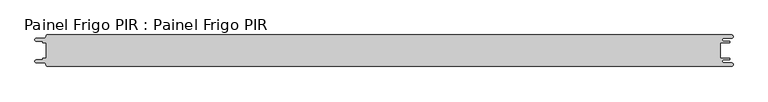
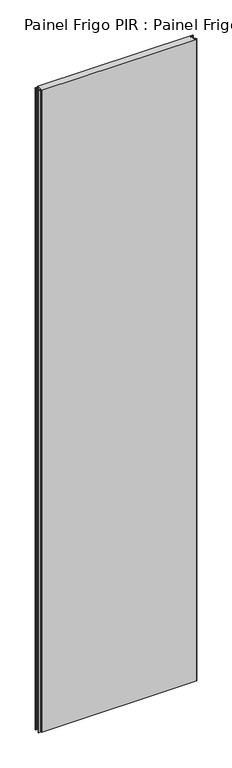
"""IFC4 building model written with IfcOpenShell, lengths in millimetres: proxy geometry, Painel Frigo PIR : Painel Frigo PIR."""

from ifc_helpers import new_model, si_unit, frame, origin, place, context, project, spatial, polyline, circle_curve, source, transform, mapped, element, save
from ifc_brep_helpers import plane_surface, cylinder_surface, revolved_surface, advanced_brep


def painel_frigo_pir_painel_frigo_pir_87e6ddfe(model_context):
    return source(origin(), model_context, "Body", "AdvancedBrep", [
        advanced_brep(
        [(-554.5874998, -12.3, 4800.0), (-555.1874998, -12.9, 4800.0), (-555.1874998, -13.7085184, 4800.0), (-556.5875001, -15.1085187, 4800.0), (-565.565625, -15.1085187, 4800.0), (-565.565625, -19.5085185, 4800.0), (-553.55, -19.5085185, 4800.0), (-550.0, -23.0585185, 4800.0), (-548.05, -25.0, 4800.0), (546.89375, -25.0, 4800.0), (546.89375, -19.725, 4800.0), (534.45625, -19.725, 4800.0), (534.45625, -14.875, 4800.0), (543.1187503, -14.875, 4800.0), (543.1187503, -12.3, 4800.0), (529.2687503, -12.3, 4800.0), (529.2687503, 12.3, 4800.0), (543.1187503, 12.3, 4800.0), (543.1187503, 14.875, 4800.0), (534.45625, 14.875, 4800.0), (534.45625, 19.725, 4800.0), (546.89375, 19.725, 4800.0), (546.89375, 25.0, 4800.0), (-548.05, 25.0, 4800.0), (-550.0, 23.05, 4800.0), (-553.55, 19.5085185, 4800.0), (-565.565625, 19.5085185, 4800.0), (-565.565625, 15.1085185, 4800.0), (-556.5875003, 15.1085185, 4800.0), (-555.1875003, 13.7085185, 4800.0), (-555.1875003, 12.9, 4800.0), (-554.5874998, 12.2999995, 4800.0), (-549.2999612, 12.2999995, 4800.0), (-549.2999612, -12.3, 4800.0), (-554.5874998, -12.3, 0.0), (-549.2999612, -12.3, 0.0), (-549.2999612, 12.2999995, 0.0), (-554.5874998, 12.2999995, 0.0), (-555.1875003, 12.9, 0.0), (-555.1875003, 13.7085185, 0.0), (-556.5875003, 15.1085185, 0.0), (-565.565625, 15.1085185, 0.0), (-565.565625, 19.5085185, 0.0), (-553.55, 19.5085185, 0.0), (-550.0, 23.0585185, 0.0), (-548.05, 25.0, 0.0), (546.89375, 25.0, 0.0), (546.89375, 19.725, 0.0), (534.45625, 19.725, 0.0), (534.45625, 14.875, 0.0), (543.1187503, 14.875, 0.0), (543.1187503, 12.3, 0.0), (529.2687503, 12.3, 0.0), (529.2687503, -12.3, 0.0), (543.1187503, -12.3, 0.0), (543.1187503, -14.875, 0.0), (534.45625, -14.875, 0.0), (534.45625, -19.725, 0.0), (546.89375, -19.725, 0.0), (546.89375, -25.0, 0.0), (-548.05, -25.0, 0.0), (-550.0, -23.05, 0.0), (-553.55, -19.5085185, 0.0), (-565.565625, -19.5085185, 0.0), (-565.565625, -15.1085187, 0.0), (-556.5875001, -15.1085187, 0.0), (-555.1874998, -13.7085184, 0.0), (-555.1874998, -12.9, 0.0)],
        [
            (0, 1, circle_curve(frame((-554.5874998, -12.9, 4800.0), z_axis=(0.0, 0.0, 1.0), x_axis=(1.0, 0.0, 0.0)), 0.6)),
            (1, 2),
            (2, 3, circle_curve(frame((-556.5875001, -13.7085184, 4800.0), z_axis=(0.0, 0.0, -1.0), x_axis=(1.0, 0.0, 0.0)), 1.4000003)),
            (3, 4),
            (4, 5, circle_curve(frame((-565.565625, -17.3085186, 4800.0), z_axis=(0.0, 0.0, 1.0), x_axis=(1.0, 0.0, 0.0)), 2.1999999)),
            (5, 6),
            (6, 7, circle_curve(frame((-553.55, -23.0585185, 4800.0), z_axis=(0.0, 0.0, -1.0), x_axis=(1.0, 0.0, 0.0)), 3.55)),
            (7, 8, circle_curve(frame((-548.05, -23.05, 4800.0), z_axis=(0.0, 0.0, 1.0), x_axis=(1.0, 0.0, 0.0)), 1.95)),
            (8, 9),
            (9, 10, circle_curve(frame((546.89375, -22.3625, 4800.0), z_axis=(0.0, 0.0, 1.0), x_axis=(1.0, 0.0, 0.0)), 2.6375)),
            (10, 11),
            (11, 12, circle_curve(frame((534.45625, -17.3, 4800.0), z_axis=(0.0, 0.0, -1.0), x_axis=(1.0, 0.0, 0.0)), 2.425)),
            (12, 13),
            (13, 14, circle_curve(frame((543.1187503, -13.5875, 4800.0), z_axis=(0.0, 0.0, 1.0), x_axis=(1.0, 0.0, 0.0)), 1.2875)),
            (14, 15),
            (15, 16),
            (16, 17),
            (17, 18, circle_curve(frame((543.1187503, 13.5875, 4800.0), z_axis=(0.0, 0.0, 1.0), x_axis=(1.0, 0.0, 0.0)), 1.2875)),
            (18, 19),
            (19, 20, circle_curve(frame((534.45625, 17.3, 4800.0), z_axis=(0.0, 0.0, -1.0), x_axis=(1.0, 0.0, 0.0)), 2.425)),
            (20, 21),
            (21, 22, circle_curve(frame((546.89375, 22.3625, 4800.0), z_axis=(0.0, 0.0, 1.0), x_axis=(1.0, 0.0, 0.0)), 2.6375)),
            (22, 23),
            (23, 24, circle_curve(frame((-548.05, 23.05, 4800.0), z_axis=(0.0, 0.0, 1.0), x_axis=(1.0, 0.0, 0.0)), 1.95)),
            (24, 25, circle_curve(frame((-553.55, 23.0585185, 4800.0), z_axis=(0.0, 0.0, -1.0), x_axis=(1.0, 0.0, 0.0)), 3.55)),
            (25, 26),
            (26, 27, circle_curve(frame((-565.565625, 17.3085185, 4800.0), z_axis=(0.0, 0.0, 1.0), x_axis=(1.0, 0.0, 0.0)), 2.2)),
            (27, 28),
            (28, 29, circle_curve(frame((-556.5875003, 13.7085185, 4800.0), z_axis=(0.0, 0.0, -1.0), x_axis=(1.0, 0.0, 0.0)), 1.4)),
            (29, 30),
            (30, 31, circle_curve(frame((-554.5874998, 12.9, 4800.0), z_axis=(0.0, 0.0, 1.0), x_axis=(1.0, 0.0, 0.0)), 0.6000005)),
            (31, 32),
            (32, 33),
            (33, 0),
            (34, 35),
            (35, 36),
            (36, 37),
            (37, 38, circle_curve(frame((-554.5874998, 12.9, 0.0), z_axis=(0.0, 0.0, -1.0), x_axis=(1.0, 0.0, 0.0)), 0.6000005)),
            (38, 39),
            (39, 40, circle_curve(frame((-556.5875003, 13.7085185, 0.0), z_axis=(0.0, 0.0, 1.0), x_axis=(1.0, 0.0, 0.0)), 1.4)),
            (40, 41),
            (41, 42, circle_curve(frame((-565.565625, 17.3085185, 0.0), z_axis=(0.0, 0.0, -1.0), x_axis=(1.0, 0.0, 0.0)), 2.2)),
            (42, 43),
            (43, 44, circle_curve(frame((-553.55, 23.0585185, 0.0), z_axis=(0.0, 0.0, 1.0), x_axis=(1.0, 0.0, 0.0)), 3.55)),
            (44, 45, circle_curve(frame((-548.05, 23.05, 0.0), z_axis=(0.0, 0.0, -1.0), x_axis=(1.0, 0.0, 0.0)), 1.95)),
            (45, 46),
            (46, 47, circle_curve(frame((546.89375, 22.3625, 0.0), z_axis=(0.0, 0.0, -1.0), x_axis=(1.0, 0.0, 0.0)), 2.6375)),
            (47, 48),
            (48, 49, circle_curve(frame((534.45625, 17.3, 0.0), z_axis=(0.0, 0.0, 1.0), x_axis=(1.0, 0.0, 0.0)), 2.425)),
            (49, 50),
            (50, 51, circle_curve(frame((543.1187503, 13.5875, 0.0), z_axis=(0.0, 0.0, -1.0), x_axis=(1.0, 0.0, 0.0)), 1.2875)),
            (51, 52),
            (52, 53),
            (53, 54),
            (54, 55, circle_curve(frame((543.1187503, -13.5875, 0.0), z_axis=(0.0, 0.0, -1.0), x_axis=(1.0, 0.0, 0.0)), 1.2875)),
            (55, 56),
            (56, 57, circle_curve(frame((534.45625, -17.3, 0.0), z_axis=(0.0, 0.0, 1.0), x_axis=(1.0, 0.0, 0.0)), 2.425)),
            (57, 58),
            (58, 59, circle_curve(frame((546.89375, -22.3625, 0.0), z_axis=(0.0, 0.0, -1.0), x_axis=(1.0, 0.0, 0.0)), 2.6375)),
            (59, 60),
            (60, 61, circle_curve(frame((-548.05, -23.05, 0.0), z_axis=(0.0, 0.0, -1.0), x_axis=(1.0, 0.0, 0.0)), 1.95)),
            (61, 62, circle_curve(frame((-553.55, -23.0585185, 0.0), z_axis=(0.0, 0.0, 1.0), x_axis=(1.0, 0.0, 0.0)), 3.55)),
            (62, 63),
            (63, 64, circle_curve(frame((-565.565625, -17.3085186, 0.0), z_axis=(0.0, 0.0, -1.0), x_axis=(1.0, 0.0, 0.0)), 2.1999999)),
            (64, 65),
            (65, 66, circle_curve(frame((-556.5875001, -13.7085184, 0.0), z_axis=(0.0, 0.0, 1.0), x_axis=(1.0, 0.0, 0.0)), 1.4000003)),
            (66, 67),
            (67, 34, circle_curve(frame((-554.5874998, -12.9, 0.0), z_axis=(0.0, 0.0, -1.0), x_axis=(1.0, 0.0, 0.0)), 0.6)),
            (33, 35),
            (34, 0),
            (32, 36),
            (31, 37),
            (30, 38),
            (29, 39),
            (28, 40),
            (27, 41),
            (26, 42),
            (25, 43),
            (24, 44),
            (23, 45),
            (22, 46),
            (15, 53),
            (52, 16),
            (14, 54),
            (13, 55),
            (12, 56),
            (11, 57),
            (10, 58),
            (9, 59),
            (8, 60),
            (7, 61),
            (6, 62),
            (5, 63),
            (4, 64),
            (3, 65),
            (2, 66),
            (1, 67),
            (21, 47),
            (20, 48),
            (19, 49),
            (18, 50),
            (17, 51),
        ],
        [
            plane_surface(frame((-549.2999612, -12.3, 4800.0), z_axis=(0.0, 0.0, 1.0), x_axis=(1.0, 0.0, 0.0))),
            plane_surface(frame((-549.2999612, -12.3, 0.0), z_axis=(0.0, 0.0, -1.0), x_axis=(-1.0, 0.0, 0.0))),
            plane_surface(frame((-554.5874998, -12.3, 4800.0), z_axis=(0.0, 1.0, 0.0), x_axis=(0.0, 0.0, -1.0))),
            plane_surface(frame((-549.2999612, -12.3, 4800.0), z_axis=(-1.0, 0.0, 0.0), x_axis=(0.0, 0.0, -1.0))),
            plane_surface(frame((-549.2999612, 12.2999995, 4800.0), z_axis=(0.0, -1.0, 0.0), x_axis=(0.0, 0.0, -1.0))),
            cylinder_surface(frame((-554.5874998, 12.9, 0.0), z_axis=(0.0, 0.0, 1.0), x_axis=(1.0, 0.0, 0.0)), 0.6000005),
            plane_surface(frame((-555.1875003, 12.9, 4800.0), z_axis=(-1.0, -1.7578608662329016e-12, 0.0), x_axis=(0.0, 0.0, -1.0))),
            revolved_surface(polyline([(-555.1875003, 13.7085185, 0.0), (-555.1875003, 13.7085185, 4800.0)]), (-556.5875003, 13.7085185, 0.0), (0.0, 0.0, -1.0)),
            plane_surface(frame((-556.5875003, 15.1085185, 4800.0), z_axis=(0.0, -1.0, 0.0), x_axis=(0.0, 0.0, -1.0))),
            cylinder_surface(frame((-565.565625, 17.3085185, 0.0), z_axis=(0.0, 0.0, 1.0), x_axis=(1.0, 0.0, 0.0)), 2.2),
            plane_surface(frame((-565.565625, 19.5085185, 4800.0), z_axis=(0.0, 1.0, 0.0), x_axis=(0.0, 0.0, -1.0))),
            revolved_surface(polyline([(-550.0, 23.0585185, 0.0), (-550.0, 23.0585185, 4800.0)]), (-553.55, 23.0585185, 0.0), (0.0, 0.0, -1.0)),
            cylinder_surface(frame((-548.05, 23.05, 0.0), z_axis=(0.0, 0.0, 1.0), x_axis=(1.0, 0.0, 0.0)), 1.95),
            plane_surface(frame((-548.05, 25.0, 4800.0), z_axis=(0.0, 1.0, 0.0), x_axis=(0.0, 0.0, -1.0))),
            plane_surface(frame((529.2687503, 12.3, 4800.0), z_axis=(1.0, 0.0, 0.0), x_axis=(0.0, 0.0, -1.0))),
            plane_surface(frame((529.2687503, -12.3, 4800.0), z_axis=(0.0, 1.0, 0.0), x_axis=(0.0, 0.0, -1.0))),
            cylinder_surface(frame((543.1187503, -13.5875, 0.0), z_axis=(0.0, 0.0, 1.0), x_axis=(1.0, 0.0, 0.0)), 1.2875),
            plane_surface(frame((543.1187503, -14.875, 4800.0), z_axis=(0.0, -1.0, 0.0), x_axis=(0.0, 0.0, -1.0))),
            revolved_surface(polyline([(536.8812499999999, -17.3, 0.0), (536.8812499999999, -17.3, 4800.0)]), (534.45625, -17.3, 0.0), (0.0, 0.0, -1.0)),
            plane_surface(frame((534.45625, -19.725, 4800.0), z_axis=(0.0, 1.0, 0.0), x_axis=(0.0, 0.0, -1.0))),
            cylinder_surface(frame((546.89375, -22.3625, 0.0), z_axis=(0.0, 0.0, 1.0), x_axis=(1.0, 0.0, 0.0)), 2.6375),
            plane_surface(frame((546.89375, -25.0, 4800.0), z_axis=(0.0, -1.0, 0.0), x_axis=(0.0, 0.0, -1.0))),
            cylinder_surface(frame((-548.05, -23.05, 0.0), z_axis=(0.0, 0.0, 1.0), x_axis=(1.0, 0.0, 0.0)), 1.95),
            revolved_surface(polyline([(-550.0, -23.0585185, 0.0), (-550.0, -23.0585185, 4800.0)]), (-553.55, -23.0585185, 0.0), (0.0, 0.0, -1.0)),
            plane_surface(frame((-553.55, -19.5085185, 4800.0), z_axis=(0.0, -1.0, 0.0), x_axis=(0.0, 0.0, -1.0))),
            cylinder_surface(frame((-565.565625, -17.3085186, 0.0), z_axis=(0.0, 0.0, 1.0), x_axis=(1.0, 0.0, 0.0)), 2.1999999),
            plane_surface(frame((-565.565625, -15.1085187, 4800.0), z_axis=(0.0, 1.0, 0.0), x_axis=(0.0, 0.0, -1.0))),
            revolved_surface(polyline([(-555.1874998000001, -13.7085184, 0.0), (-555.1874998000001, -13.7085184, 4800.0)]), (-556.5875001, -13.7085184, 0.0), (0.0, 0.0, -1.0)),
            plane_surface(frame((-555.1874998, -13.7085184, 4800.0), z_axis=(-1.0, 0.0, 0.0), x_axis=(0.0, 0.0, -1.0))),
            cylinder_surface(frame((-554.5874998, -12.9, 0.0), z_axis=(0.0, 0.0, 1.0), x_axis=(1.0, 0.0, 0.0)), 0.6),
            cylinder_surface(frame((546.89375, 22.3625, 0.0), z_axis=(0.0, 0.0, 1.0), x_axis=(1.0, 0.0, 0.0)), 2.6375),
            plane_surface(frame((546.89375, 19.725, 4800.0), z_axis=(0.0, -1.0, 0.0), x_axis=(0.0, 0.0, -1.0))),
            revolved_surface(polyline([(536.8812499999999, 17.3, 0.0), (536.8812499999999, 17.3, 4800.0)]), (534.45625, 17.3, 0.0), (0.0, 0.0, -1.0)),
            plane_surface(frame((534.45625, 14.875, 4800.0), z_axis=(0.0, 1.0, 0.0), x_axis=(0.0, 0.0, -1.0))),
            cylinder_surface(frame((543.1187503, 13.5875, 0.0), z_axis=(0.0, 0.0, 1.0), x_axis=(1.0, 0.0, 0.0)), 1.2875),
            plane_surface(frame((543.1187503, 12.3, 4800.0), z_axis=(0.0, -1.0, 0.0), x_axis=(0.0, 0.0, -1.0))),
        ],
        [
            (0, [[1, 2, 3, 4, 5, 6, 7, 8, 9, 10, 11, 12, 13, 14, 15, 16, 17, 18, 19, 20, 21, 22, 23, 24, 25, 26, 27, 28, 29, 30, 31, 32, 33, 34]]),
            (1, [[35, 36, 37, 38, 39, 40, 41, 42, 43, 44, 45, 46, 47, 48, 49, 50, 51, 52, 53, 54, 55, 56, 57, 58, 59, 60, 61, 62, 63, 64, 65, 66, 67, 68]]),
            (2, [[69, -35, 70, -34]]),
            (3, [[71, -36, -69, -33]]),
            (4, [[72, -37, -71, -32]]),
            (5, [[73, -38, -72, -31]]),
            (6, [[74, -39, -73, -30]]),
            (7, [[75, -40, -74, -29]]),
            (8, [[76, -41, -75, -28]]),
            (9, [[77, -42, -76, -27]]),
            (10, [[78, -43, -77, -26]]),
            (11, [[79, -44, -78, -25]]),
            (12, [[80, -45, -79, -24]]),
            (13, [[81, -46, -80, -23]]),
            (14, [[82, -53, 83, -16]]),
            (15, [[84, -54, -82, -15]]),
            (16, [[85, -55, -84, -14]]),
            (17, [[86, -56, -85, -13]]),
            (18, [[87, -57, -86, -12]]),
            (19, [[88, -58, -87, -11]]),
            (20, [[89, -59, -88, -10]]),
            (21, [[90, -60, -89, -9]]),
            (22, [[91, -61, -90, -8]]),
            (23, [[92, -62, -91, -7]]),
            (24, [[93, -63, -92, -6]]),
            (25, [[94, -64, -93, -5]]),
            (26, [[95, -65, -94, -4]]),
            (27, [[96, -66, -95, -3]]),
            (28, [[97, -67, -96, -2]]),
            (29, [[-70, -68, -97, -1]]),
            (30, [[98, -47, -81, -22]]),
            (31, [[99, -48, -98, -21]]),
            (32, [[100, -49, -99, -20]]),
            (33, [[101, -50, -100, -19]]),
            (34, [[102, -51, -101, -18]]),
            (35, [[-83, -52, -102, -17]]),
        ],
    ),
    ])


if __name__ == "__main__":
    model = new_model("IFC4")
    model_context = context("Model", 3, world=origin())
    ifc_project = project(units=[si_unit("LENGTHUNIT", "METRE", prefix="MILLI")], contexts=[model_context])
    site = spatial("IfcSite", under=ifc_project)
    building = spatial("IfcBuilding", under=site)
    placement = place(None, origin())
    painel_frigo_pir_painel_frigo_pir_shape = painel_frigo_pir_painel_frigo_pir_87e6ddfe(model_context)
    element("IfcBuildingElementProxy", 1, Name="Painel Frigo PIR : Painel Frigo PIR", ObjectType="Painel Frigo PIR : Painel Frigo PIR", at=placement, inside=building, context=model_context, shape_type="MappedRepresentation", body=[
        mapped(painel_frigo_pir_painel_frigo_pir_shape, transform((0.0, 0.0, 0.0), x_axis=(1.0, 0.0, 0.0), y_axis=(0.0, 1.0, 0.0), z_axis=(0.0, 0.0, 1.0))),
    ])
    save(model, "model.ifc")
